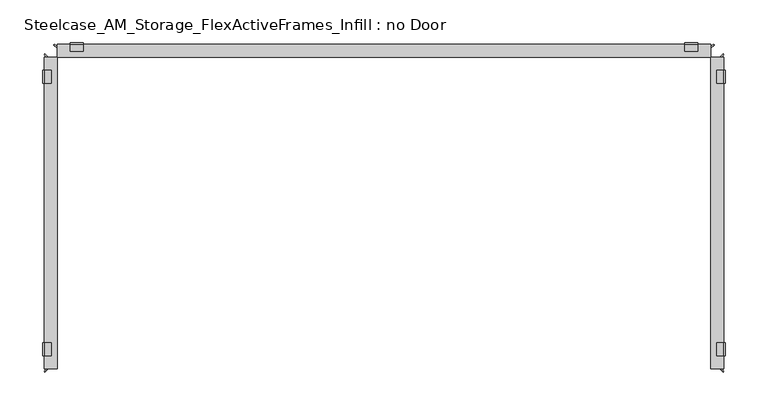
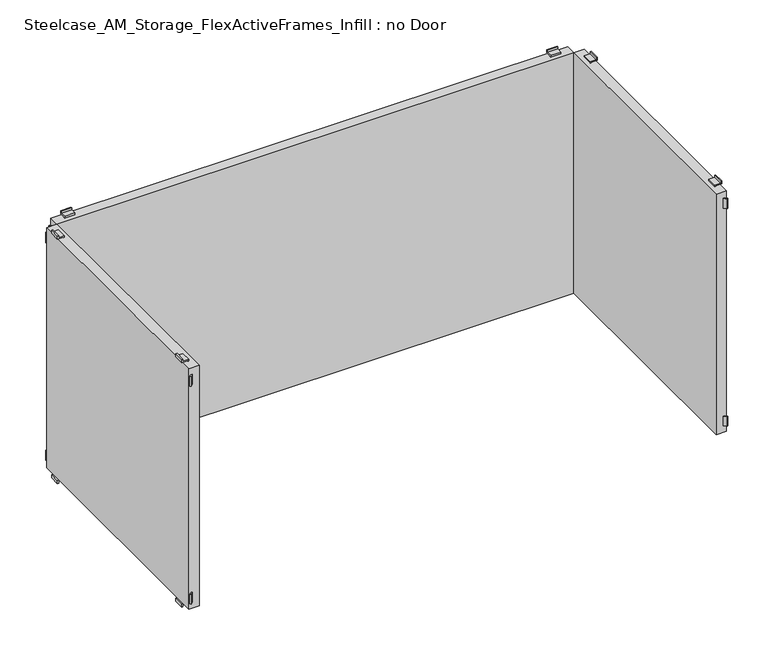
"""IFC4 building model written with IfcOpenShell, lengths in millimetres: furniture geometry, Steelcase_AM_Storage_FlexActiveFrames_Infill : no Door."""

from ifc_helpers import new_model, si_unit, frame, origin, place, context, project, spatial, polyline, outline, extrude, source, transform, mapped, element, save


def steelcase_am_storage_flexactiveframes_infill_no_door_c80f5642(model_context):
    return source(origin(), model_context, "Body", "SweptSolid", [
        extrude(outline(polyline([(794.8923586, -382.27), (797.5473445, -384.924986), (796.4697138, -386.0026167), (792.7370971, -382.27), (794.8923586, -382.27)])), frame((0.0, 0.0, 472.0336), z_axis=(0.0, 0.0, 1.0), x_axis=(1.0, 0.0, 0.0)), (0.0, 0.0, 1.0), 15.24),
        extrude(outline(polyline([(794.8923586, -17.78), (792.7370971, -17.78), (796.4697138, -14.0473833), (797.5473445, -15.125014), (794.8923586, -17.78)])), frame((0.0, 0.0, 472.0336), z_axis=(0.0, 0.0, 1.0), x_axis=(1.0, 0.0, 0.0)), (0.0, 0.0, 1.0), 15.24),
        extrude(outline(polyline([(794.8923586, -382.27), (797.5473445, -384.924986), (796.4697138, -386.0026167), (792.7370971, -382.27), (794.8923586, -382.27)])), frame((0.0, 0.0, 131.6736), z_axis=(0.0, 0.0, 1.0), x_axis=(1.0, 0.0, 0.0)), (0.0, 0.0, 1.0), 15.24),
        extrude(outline(polyline([(794.8923586, -17.78), (792.7370971, -17.78), (796.4697138, -14.0473833), (797.5473445, -15.125014), (794.8923586, -17.78)])), frame((0.0, 0.0, 131.6736), z_axis=(0.0, 0.0, 1.0), x_axis=(1.0, 0.0, 0.0)), (0.0, 0.0, 1.0), 15.24),
        extrude(outline(polyline([(503.0770636, 797.56), (499.9736, 797.56), (499.9736, 789.178), (497.4336, 789.178), (497.4336, 790.702), (498.4496, 790.702), (498.4496, 799.084), (503.0770636, 799.084), (503.0770636, 797.56)])), frame((0.0, -48.26, 0.0), z_axis=(0.0, 1.0, 0.0), x_axis=(0.0, 0.0, 1.0)), (0.0, 0.0, 1.0), 15.24),
        extrude(outline(polyline([(115.8701364, 797.56), (115.8701364, 799.084), (120.4976, 799.084), (120.4976, 790.702), (121.5136, 790.702), (121.5136, 789.178), (118.9736, 789.178), (118.9736, 797.56), (115.8701364, 797.56)])), frame((0.0, -48.26, 0.0), z_axis=(0.0, 1.0, 0.0), x_axis=(0.0, 0.0, 1.0)), (0.0, 0.0, 1.0), 15.24),
        extrude(outline(polyline([(503.0770636, 797.56), (499.9736, 797.56), (499.9736, 789.178), (497.4336, 789.178), (497.4336, 790.702), (498.4496, 790.702), (498.4496, 799.084), (503.0770636, 799.084), (503.0770636, 797.56)])), frame((0.0, -367.03, 0.0), z_axis=(0.0, 1.0, 0.0), x_axis=(0.0, 0.0, 1.0)), (0.0, 0.0, 1.0), 15.24),
        extrude(outline(polyline([(115.8701364, 797.56), (115.8701364, 799.084), (120.4976, 799.084), (120.4976, 790.702), (121.5136, 790.702), (121.5136, 789.178), (118.9736, 789.178), (118.9736, 797.56), (115.8701364, 797.56)])), frame((0.0, -367.03, 0.0), z_axis=(0.0, 1.0, 0.0), x_axis=(0.0, 0.0, 1.0)), (0.0, 0.0, 1.0), 15.24),
        extrude(outline(polyline([(782.32, -17.78), (797.56, -17.78), (797.56, -382.27), (782.32, -382.27), (782.32, -17.78)])), frame((0.0, 0.0, 121.5136), z_axis=(0.0, 0.0, 1.0), x_axis=(1.0, 0.0, 0.0)), (0.0, 0.0, 1.0), 375.92),
        extrude(outline(polyline([(5.2076414, -382.27), (7.3629029, -382.27), (3.6302862, -386.0026167), (2.5526555, -384.924986), (5.2076414, -382.27)])), frame((0.0, 0.0, 472.0336), z_axis=(0.0, 0.0, 1.0), x_axis=(1.0, 0.0, 0.0)), (0.0, 0.0, 1.0), 15.24),
        extrude(outline(polyline([(5.2076414, -17.78), (2.5526555, -15.125014), (3.6302862, -14.0473833), (7.3629029, -17.78), (5.2076414, -17.78)])), frame((0.0, 0.0, 472.0336), z_axis=(0.0, 0.0, 1.0), x_axis=(1.0, 0.0, 0.0)), (0.0, 0.0, 1.0), 15.24),
        extrude(outline(polyline([(5.2076414, -382.27), (7.3629029, -382.27), (3.6302862, -386.0026167), (2.5526555, -384.924986), (5.2076414, -382.27)])), frame((0.0, 0.0, 131.6736), z_axis=(0.0, 0.0, 1.0), x_axis=(1.0, 0.0, 0.0)), (0.0, 0.0, 1.0), 15.24),
        extrude(outline(polyline([(5.2076414, -17.78), (2.5526555, -15.125014), (3.6302862, -14.0473833), (7.3629029, -17.78), (5.2076414, -17.78)])), frame((0.0, 0.0, 131.6736), z_axis=(0.0, 0.0, 1.0), x_axis=(1.0, 0.0, 0.0)), (0.0, 0.0, 1.0), 15.24),
        extrude(outline(polyline([(503.0770636, 2.54), (503.0770636, 1.016), (498.4496, 1.016), (498.4496, 9.398), (497.4336, 9.398), (497.4336, 10.922), (499.9736, 10.922), (499.9736, 2.54), (503.0770636, 2.54)])), frame((0.0, -48.26, 0.0), z_axis=(0.0, 1.0, 0.0), x_axis=(0.0, 0.0, 1.0)), (0.0, 0.0, 1.0), 15.24),
        extrude(outline(polyline([(115.8701364, 2.54), (118.9736, 2.54), (118.9736, 10.922), (121.5136, 10.922), (121.5136, 9.398), (120.4976, 9.398), (120.4976, 1.016), (115.8701364, 1.016), (115.8701364, 2.54)])), frame((0.0, -48.26, 0.0), z_axis=(0.0, 1.0, 0.0), x_axis=(0.0, 0.0, 1.0)), (0.0, 0.0, 1.0), 15.24),
        extrude(outline(polyline([(503.0770636, 2.54), (503.0770636, 1.016), (498.4496, 1.016), (498.4496, 9.398), (497.4336, 9.398), (497.4336, 10.922), (499.9736, 10.922), (499.9736, 2.54), (503.0770636, 2.54)])), frame((0.0, -367.03, 0.0), z_axis=(0.0, 1.0, 0.0), x_axis=(0.0, 0.0, 1.0)), (0.0, 0.0, 1.0), 15.24),
        extrude(outline(polyline([(115.8701364, 2.54), (118.9736, 2.54), (118.9736, 10.922), (121.5136, 10.922), (121.5136, 9.398), (120.4976, 9.398), (120.4976, 1.016), (115.8701364, 1.016), (115.8701364, 2.54)])), frame((0.0, -367.03, 0.0), z_axis=(0.0, 1.0, 0.0), x_axis=(0.0, 0.0, 1.0)), (0.0, 0.0, 1.0), 15.24),
        extrude(outline(polyline([(17.78, -17.78), (17.78, -382.27), (2.54, -382.27), (2.54, -17.78), (17.78, -17.78)])), frame((0.0, 0.0, 121.5136), z_axis=(0.0, 0.0, 1.0), x_axis=(1.0, 0.0, 0.0)), (0.0, 0.0, 1.0), 375.92),
        extrude(outline(polyline([(17.78, -5.2076414), (17.78, -7.3629029), (14.0473833, -3.6302862), (15.125014, -2.5526555), (17.78, -5.2076414)])), frame((0.0, 0.0, 472.0336), z_axis=(0.0, 0.0, 1.0), x_axis=(1.0, 0.0, 0.0)), (0.0, 0.0, 1.0), 15.24),
        extrude(outline(polyline([(782.32, -5.2076414), (784.974986, -2.5526555), (786.0526167, -3.6302862), (782.32, -7.3629029), (782.32, -5.2076414)])), frame((0.0, 0.0, 472.0336), z_axis=(0.0, 0.0, 1.0), x_axis=(1.0, 0.0, 0.0)), (0.0, 0.0, 1.0), 15.24),
        extrude(outline(polyline([(17.78, -5.2076414), (17.78, -7.3629029), (14.0473833, -3.6302862), (15.125014, -2.5526555), (17.78, -5.2076414)])), frame((0.0, 0.0, 131.6736), z_axis=(0.0, 0.0, 1.0), x_axis=(1.0, 0.0, 0.0)), (0.0, 0.0, 1.0), 15.24),
        extrude(outline(polyline([(782.32, -5.2076414), (784.974986, -2.5526555), (786.0526167, -3.6302862), (782.32, -7.3629029), (782.32, -5.2076414)])), frame((0.0, 0.0, 131.6736), z_axis=(0.0, 0.0, 1.0), x_axis=(1.0, 0.0, 0.0)), (0.0, 0.0, 1.0), 15.24),
        extrude(outline(polyline([(-2.54, 503.0770636), (-1.016, 503.0770636), (-1.016, 498.4496), (-9.398, 498.4496), (-9.398, 497.4336), (-10.922, 497.4336), (-10.922, 499.9736), (-2.54, 499.9736), (-2.54, 503.0770636)])), frame((751.84, 0.0, 0.0), z_axis=(1.0, 0.0, 0.0), x_axis=(0.0, 1.0, 0.0)), (0.0, 0.0, 1.0), 15.24),
        extrude(outline(polyline([(-2.54, 115.8701364), (-2.54, 118.9736), (-10.922, 118.9736), (-10.922, 121.5136), (-9.398, 121.5136), (-9.398, 120.4976), (-1.016, 120.4976), (-1.016, 115.8701364), (-2.54, 115.8701364)])), frame((751.84, 0.0, 0.0), z_axis=(1.0, 0.0, 0.0), x_axis=(0.0, 1.0, 0.0)), (0.0, 0.0, 1.0), 15.24),
        extrude(outline(polyline([(-2.54, 503.0770636), (-1.016, 503.0770636), (-1.016, 498.4496), (-9.398, 498.4496), (-9.398, 497.4336), (-10.922, 497.4336), (-10.922, 499.9736), (-2.54, 499.9736), (-2.54, 503.0770636)])), frame((33.02, 0.0, 0.0), z_axis=(1.0, 0.0, 0.0), x_axis=(0.0, 1.0, 0.0)), (0.0, 0.0, 1.0), 15.24),
        extrude(outline(polyline([(-2.54, 115.8701364), (-2.54, 118.9736), (-10.922, 118.9736), (-10.922, 121.5136), (-9.398, 121.5136), (-9.398, 120.4976), (-1.016, 120.4976), (-1.016, 115.8701364), (-2.54, 115.8701364)])), frame((33.02, 0.0, 0.0), z_axis=(1.0, 0.0, 0.0), x_axis=(0.0, 1.0, 0.0)), (0.0, 0.0, 1.0), 15.24),
        extrude(outline(polyline([(782.32, -17.78), (17.78, -17.78), (17.78, -2.54), (782.32, -2.54), (782.32, -17.78)])), frame((0.0, 0.0, 121.5136), z_axis=(0.0, 0.0, 1.0), x_axis=(1.0, 0.0, 0.0)), (0.0, 0.0, 1.0), 375.92),
    ])


if __name__ == "__main__":
    model = new_model("IFC4")
    model_context = context("Model", 3, world=origin())
    ifc_project = project(units=[si_unit("LENGTHUNIT", "METRE", prefix="MILLI")], contexts=[model_context])
    site = spatial("IfcSite", under=ifc_project)
    building = spatial("IfcBuilding", under=site)
    placement = place(None, origin())
    steelcase_am_storage_flexactiveframes_infill_no_door_shape = steelcase_am_storage_flexactiveframes_infill_no_door_c80f5642(model_context)
    element("IfcFurniture", 1, ObjectType="Steelcase_AM_Storage_FlexActiveFrames_Infill : no Door", at=placement, inside=building, context=model_context, shape_type="MappedRepresentation", body=[
        mapped(steelcase_am_storage_flexactiveframes_infill_no_door_shape, transform((0.0, 0.0, 0.0), x_axis=(1.0, 0.0, 0.0), y_axis=(0.0, 1.0, 0.0), z_axis=(0.0, 0.0, 1.0))),
    ])
    save(model, "model.ifc")
